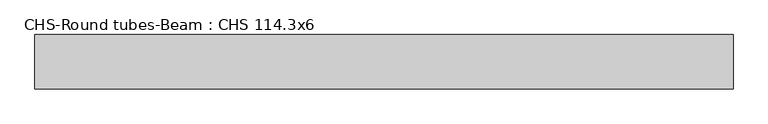
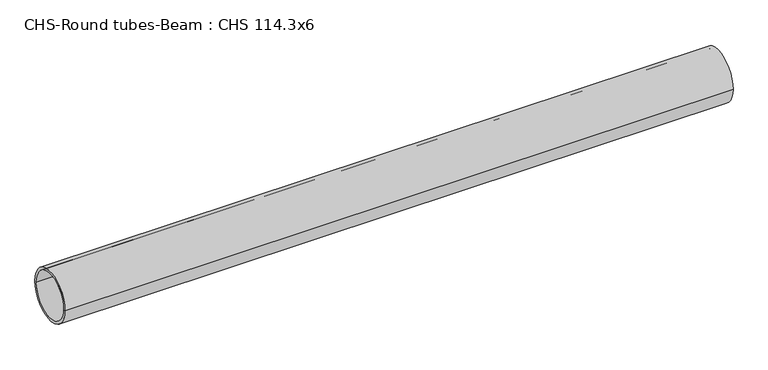
"""IFC4 building model written with IfcOpenShell, lengths in millimetres: beam geometry, CHS-Round tubes-Beam : CHS 114.3x6."""

from ifc_helpers import new_model, si_unit, point, frame, origin, origin_2d, place, context, project, spatial, circle_curve, trimmed, segment, composite_curve, outline, extrude, source, transform, mapped, element, save


def chs_round_tubes_beam_chs_114_3x6_18d748cd(model_context):
    return source(origin(), model_context, "Body", "SweptSolid", [
        extrude(outline(composite_curve([segment(trimmed(circle_curve(origin_2d(), 57.15), [point((57.15, 0.0))], [point((-57.15, 0.0))], False, "CARTESIAN"), True, "CONTINUOUS"), segment(trimmed(circle_curve(origin_2d(), 57.15), [point((-57.15, 0.0))], [point((57.15, 0.0))], False, "CARTESIAN"), True, "CONTINUOUS")], self_intersect=False), holes=[composite_curve([segment(trimmed(circle_curve(origin_2d(), 51.15), [point((51.15, 0.0))], [point((-51.15, 0.0))], True, "CARTESIAN"), True, "CONTINUOUS"), segment(trimmed(circle_curve(origin_2d(), 51.15), [point((-51.15, 0.0))], [point((51.15, 0.0))], True, "CARTESIAN"), True, "CONTINUOUS")], self_intersect=False)]), frame((-727.5369606, 0.0, 0.0), z_axis=(1.0, 0.0, 0.0), x_axis=(0.0, 1.0, 0.0)), (0.0, 0.0, 1.0), 1471.5227266),
    ])


if __name__ == "__main__":
    model = new_model("IFC4")
    model_context = context("Model", 3, world=origin())
    ifc_project = project(units=[si_unit("LENGTHUNIT", "METRE", prefix="MILLI")], contexts=[model_context])
    site = spatial("IfcSite", under=ifc_project)
    building = spatial("IfcBuilding", under=site)
    placement = place(None, origin())
    chs_round_tubes_beam_chs_114_3x6_shape = chs_round_tubes_beam_chs_114_3x6_18d748cd(model_context)
    element("IfcBeam", 1, ObjectType="CHS-Round tubes-Beam : CHS 114.3x6", at=placement, inside=building, context=model_context, shape_type="MappedRepresentation", body=[
        mapped(chs_round_tubes_beam_chs_114_3x6_shape, transform((0.0, 0.0, 0.0), x_axis=(1.0, 0.0, 0.0), y_axis=(0.0, 1.0, 0.0), z_axis=(0.0, 0.0, 1.0))),
    ])
    save(model, "model.ifc")
